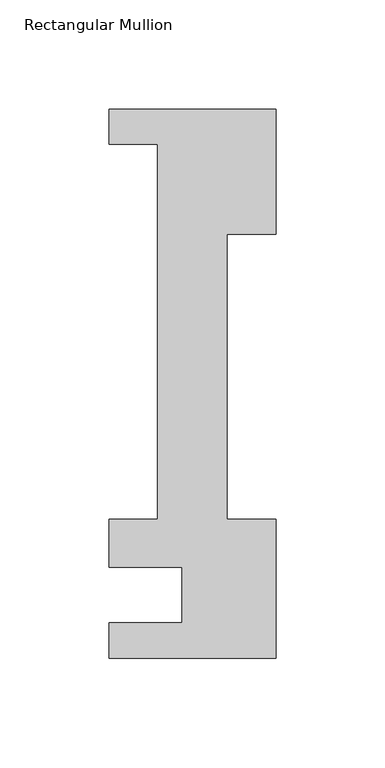
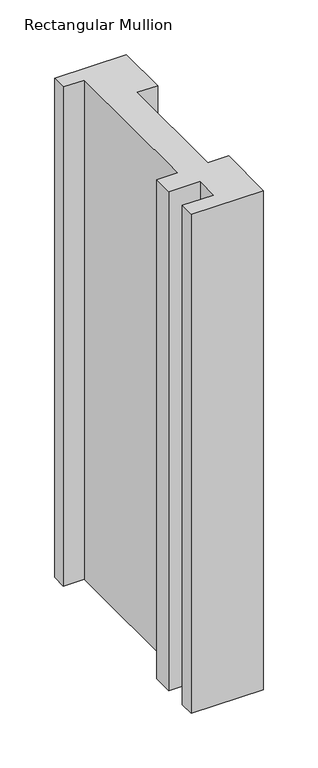
"""IFC4 building model written with IfcOpenShell, lengths in millimetres: member geometry, Rectangular Mullion."""

from ifc_helpers import new_model, si_unit, frame, origin, place, context, project, spatial, polyline, outline, extrude, source, transform, mapped, element, save


def rectangular_mullion_b5c47b86(model_context):
    return source(origin(), model_context, "Body", "SweptSolid", [
        extrude(outline(polyline([(0.0, 221.996), (0.0, 164.7946959), (-22.225, 164.7946959), (-22.225, 34.671), (0.0, 34.671), (0.0, -29.0542503), (-76.2, -29.0542503), (-76.2, -12.7), (-42.8625, -12.7), (-42.8625, 12.7), (-76.2, 12.7), (-76.2, 34.671), (-53.975, 34.671), (-53.975, 206.121), (-76.2, 206.121), (-76.2, 221.996), (0.0, 221.996)])), frame((0.0, 0.0, -558.8), z_axis=(0.0, 0.0, 1.0), x_axis=(1.0, 0.0, 0.0)), (0.0, 0.0, 1.0), 558.8),
    ])


if __name__ == "__main__":
    model = new_model("IFC4")
    model_context = context("Model", 3, world=origin())
    ifc_project = project(units=[si_unit("LENGTHUNIT", "METRE", prefix="MILLI")], contexts=[model_context])
    site = spatial("IfcSite", under=ifc_project)
    building = spatial("IfcBuilding", under=site)
    placement = place(None, origin())
    rectangular_mullion_shape = rectangular_mullion_b5c47b86(model_context)
    element("IfcMember", 1, ObjectType="Rectangular Mullion", at=placement, inside=building, context=model_context, shape_type="MappedRepresentation", body=[
        mapped(rectangular_mullion_shape, transform((0.0, 0.0, 0.0), x_axis=(1.0, 0.0, 0.0), y_axis=(0.0, 1.0, 0.0), z_axis=(0.0, 0.0, 1.0))),
    ])
    save(model, "model.ifc")
